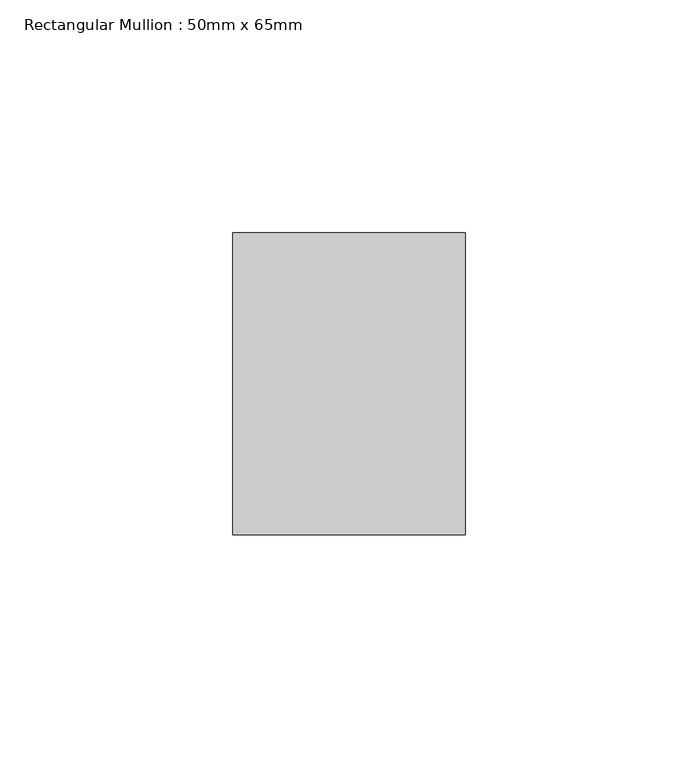
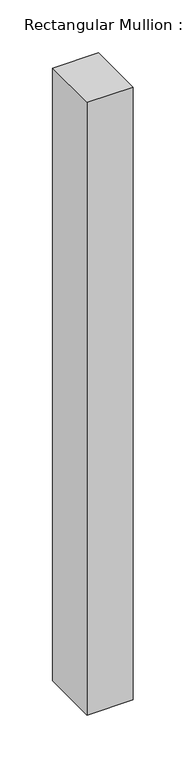
"""IFC4 building model written with IfcOpenShell, lengths in millimetres: member geometry, Rectangular Mullion : 50mm x 65mm."""

from ifc_helpers import new_model, si_unit, frame, origin, place, context, project, spatial, polyline, outline, extrude, source, transform, mapped, element, save


def rectangular_mullion_50mm_x_65mm_10c97adf(model_context):
    return source(origin(), model_context, "Body", "SweptSolid", [
        extrude(outline(polyline([(25.0, 32.5), (25.0, -32.5), (-25.0, -32.5), (-25.0, 32.5), (25.0, 32.5)])), frame((0.0, 0.0, -705.7731028), z_axis=(0.0, 0.0, 1.0), x_axis=(1.0, 0.0, 0.0)), (0.0, 0.0, 1.0), 705.7731028),
    ])


if __name__ == "__main__":
    model = new_model("IFC4")
    model_context = context("Model", 3, world=origin())
    ifc_project = project(units=[si_unit("LENGTHUNIT", "METRE", prefix="MILLI")], contexts=[model_context])
    site = spatial("IfcSite", under=ifc_project)
    building = spatial("IfcBuilding", under=site)
    placement = place(None, origin())
    rectangular_mullion_50mm_x_65mm_shape = rectangular_mullion_50mm_x_65mm_10c97adf(model_context)
    element("IfcMember", 1, ObjectType="Rectangular Mullion : 50mm x 65mm", at=placement, inside=building, context=model_context, shape_type="MappedRepresentation", body=[
        mapped(rectangular_mullion_50mm_x_65mm_shape, transform((0.0, 0.0, 0.0), x_axis=(1.0, 0.0, 0.0), y_axis=(0.0, 1.0, 0.0), z_axis=(0.0, 0.0, 1.0))),
    ])
    save(model, "model.ifc")
